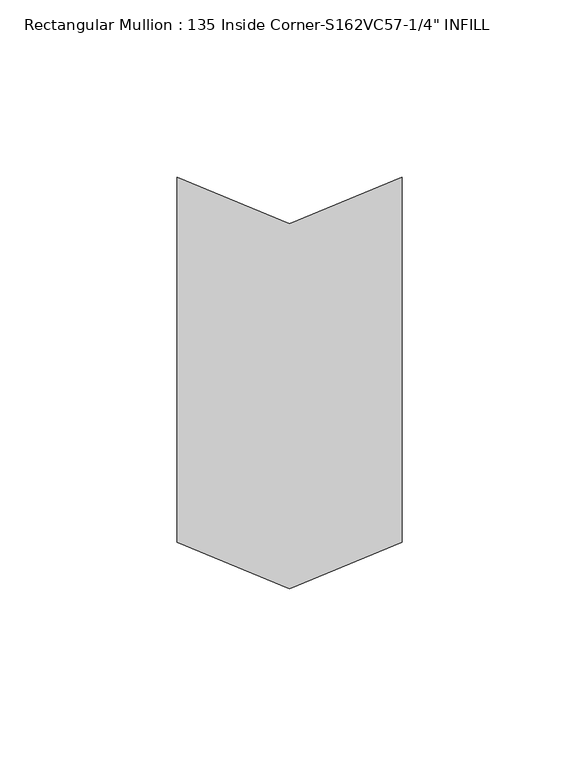
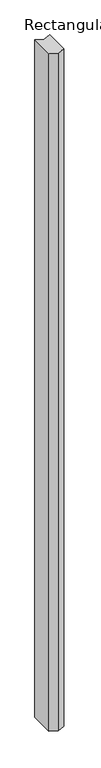
"""IFC4 building model written with IfcOpenShell, lengths in millimetres: member geometry."""

from ifc_helpers import new_model, si_unit, frame, origin, place, context, project, spatial, polyline, outline, extrude, source, transform, mapped, element, save


def member_1c76b6b2(model_context):
    return source(origin(), model_context, "Body", "SweptSolid", [
        extrude(outline(polyline([(0.0, -129.4443422), (-31.75, -142.5956228), (-63.5, -129.4443422), (-63.5, -26.3464851), (-31.75, -39.4977657), (0.0, -26.3464851), (0.0, -129.4443422)])), frame((0.0, 0.0, -3048.0), z_axis=(0.0, 0.0, 1.0), x_axis=(1.0, 0.0, 0.0)), (0.0, 0.0, 1.0), 3048.0),
    ])


if __name__ == "__main__":
    model = new_model("IFC4")
    model_context = context("Model", 3, world=origin())
    ifc_project = project(units=[si_unit("LENGTHUNIT", "METRE", prefix="MILLI")], contexts=[model_context])
    site = spatial("IfcSite", under=ifc_project)
    building = spatial("IfcBuilding", under=site)
    placement = place(None, origin())
    member_shape = member_1c76b6b2(model_context)
    element("IfcMember", 1, ObjectType="Rectangular Mullion : 135 Inside Corner-S162VC57-1/4\" INFILL", at=placement, inside=building, context=model_context, shape_type="MappedRepresentation", body=[
        mapped(member_shape, transform((0.0, 0.0, 0.0), x_axis=(1.0, 0.0, 0.0), y_axis=(0.0, 1.0, 0.0), z_axis=(0.0, 0.0, 1.0))),
    ])
    save(model, "model.ifc")
